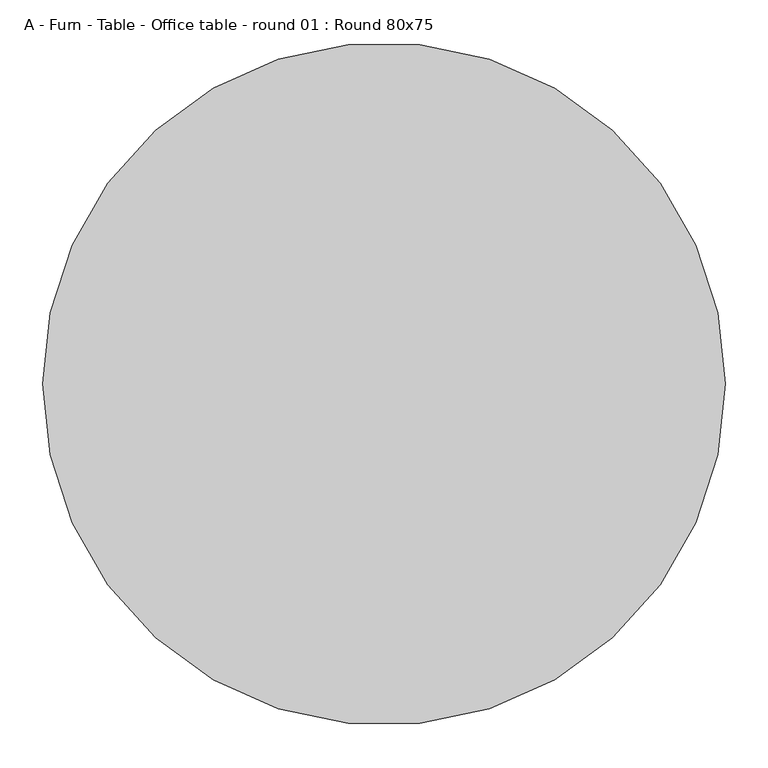
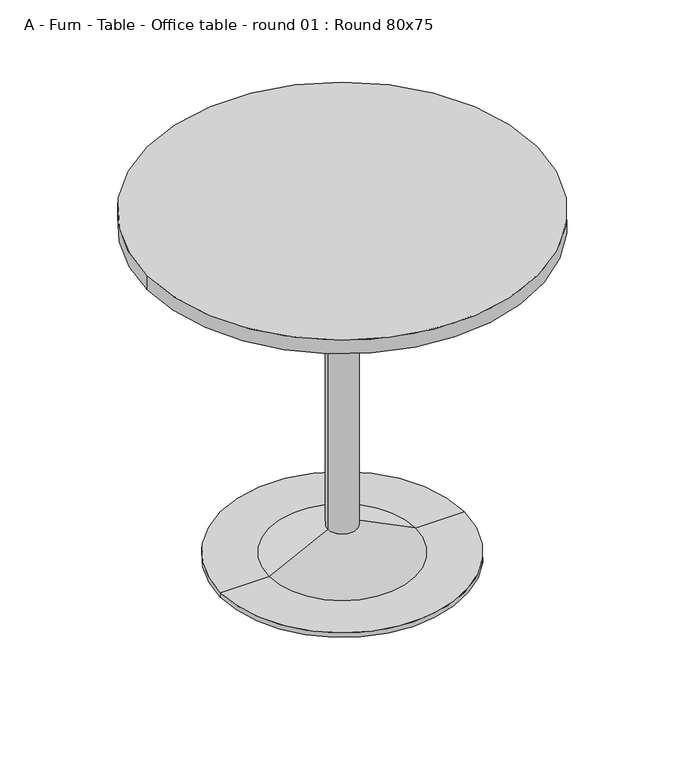
"""IFC4 building model written with IfcOpenShell, lengths in millimetres: furniture geometry, A - Furn - Table - Office table - round 01 : Round 80x75."""

from ifc_helpers import new_model, si_unit, point, frame, origin, origin_with_axes, origin_2d, place, context, project, spatial, polyline, circle_curve, trimmed, segment, composite_curve, outline, extrude, source, transform, mapped, element, save
from ifc_brep_helpers import plane_surface, cylinder_surface, revolved_surface, advanced_brep


def a_furn_table_office_table_round_01_round_80x75_4742326b(model_context):
    return source(origin(), model_context, "Body", "SolidModel", [
        advanced_brep(
        [(0.0, 0.0, 680.0), (30.0, 0.0, 680.0), (-30.0, 0.0, 680.0), (-150.0, 0.0, 10.0), (150.0, 0.0, 10.0), (0.0, 0.0, 10.0), (-30.0, 0.0, 70.0), (30.0, 0.0, 70.0)],
        [
            (0, 1),
            (1, 2, circle_curve(frame((0.0, 0.0, 680.0), z_axis=(0.0, 0.0, 1.0), x_axis=(1.0, 0.0, 0.0)), 30.0)),
            (2, 0),
            (2, 1, circle_curve(frame((0.0, 0.0, 680.0), z_axis=(0.0, 0.0, 1.0), x_axis=(1.0, 0.0, 0.0)), 30.0)),
            (3, 4, circle_curve(frame((0.0, 0.0, 10.0), z_axis=(0.0, 0.0, -1.0), x_axis=(1.0, 0.0, 0.0)), 150.0)),
            (4, 5),
            (5, 3),
            (4, 3, circle_curve(frame((0.0, 0.0, 10.0), z_axis=(0.0, 0.0, -1.0), x_axis=(1.0, 0.0, 0.0)), 150.0)),
            (6, 7, circle_curve(frame((0.0, 0.0, 70.0), z_axis=(0.0, 0.0, -1.0), x_axis=(1.0, 0.0, 0.0)), 30.0)),
            (7, 4),
            (3, 6),
            (7, 6, circle_curve(frame((0.0, 0.0, 70.0), z_axis=(0.0, 0.0, -1.0), x_axis=(1.0, 0.0, 0.0)), 30.0)),
            (1, 7),
            (6, 2),
        ],
        [
            plane_surface(frame((0.0, 0.0, 680.0), z_axis=(0.0, 0.0, 1.0), x_axis=(1.0, 0.0, 0.0))),
            plane_surface(frame((0.0, 0.0, 10.0), z_axis=(0.0, 0.0, -1.0), x_axis=(1.0, 0.0, 0.0))),
            revolved_surface(polyline([(150.0, 0.0, 10.0), (30.0, 0.0, 70.0)]), (0.0, 0.0, 892.0176105), (0.0, 0.0, 1.0)),
            cylinder_surface(frame((0.0, 0.0, 892.0176105), z_axis=(0.0, 0.0, 1.0), x_axis=(1.0, 0.0, 0.0)), 30.0),
        ],
        [
            (0, [[1, 2, 3]]),
            (0, [[-3, 4, -1]]),
            (1, [[5, 6, 7]]),
            (1, [[8, -7, -6]]),
            (2, [[9, 10, -5, 11]]),
            (2, [[12, -11, -8, -10]]),
            (3, [[-2, 13, -9, 14]]),
            (3, [[-4, -14, -12, -13]]),
        ],
    ),
        advanced_brep(
        [(-250.0, 0.0, 10.0), (250.0, 0.0, 10.0), (250.0, 0.0, 0.0), (-250.0, 0.0, 0.0), (0.0, 0.0, 10.0), (0.0, 0.0, 0.0)],
        [
            (0, 1, circle_curve(frame((0.0, 0.0, 10.0), z_axis=(0.0, 0.0, -1.0), x_axis=(1.0, 0.0, 0.0)), 250.0)),
            (1, 2),
            (2, 3, circle_curve(origin_with_axes(), 250.0)),
            (3, 0),
            (1, 0, circle_curve(frame((0.0, 0.0, 10.0), z_axis=(0.0, 0.0, -1.0), x_axis=(1.0, 0.0, 0.0)), 250.0)),
            (3, 2, circle_curve(origin_with_axes(), 250.0)),
            (4, 1),
            (0, 4),
            (2, 5),
            (5, 3),
        ],
        [
            cylinder_surface(frame((0.0, 0.0, 438.742223), z_axis=(0.0, 0.0, 1.0), x_axis=(1.0, 0.0, 0.0)), 250.0),
            plane_surface(frame((0.0, 0.0, 10.0), z_axis=(0.0, 0.0, 1.0), x_axis=(1.0, 0.0, 0.0))),
            plane_surface(frame((0.0, 0.0, 0.0), z_axis=(0.0, 0.0, -1.0), x_axis=(1.0, 0.0, 0.0))),
        ],
        [
            (0, [[1, 2, 3, 4]]),
            (0, [[5, -4, 6, -2]]),
            (1, [[7, -1, 8]]),
            (1, [[-8, -5, -7]]),
            (2, [[-3, 9, 10]]),
            (2, [[-6, -10, -9]]),
        ],
    ),
        advanced_brep(
        [(0.0, 0.0, 720.0), (150.0, 0.0, 720.0), (-150.0, 0.0, 720.0), (-110.0, 0.0, 680.0), (110.0, 0.0, 680.0), (0.0, 0.0, 680.0)],
        [
            (0, 1),
            (1, 2, circle_curve(frame((0.0, 0.0, 720.0), z_axis=(0.0, 0.0, 1.0), x_axis=(1.0, 0.0, 0.0)), 150.0)),
            (2, 0),
            (2, 1, circle_curve(frame((0.0, 0.0, 720.0), z_axis=(0.0, 0.0, 1.0), x_axis=(1.0, 0.0, 0.0)), 150.0)),
            (3, 4, circle_curve(frame((0.0, 0.0, 680.0), z_axis=(0.0, 0.0, -1.0), x_axis=(1.0, 0.0, 0.0)), 110.0)),
            (4, 5),
            (5, 3),
            (4, 3, circle_curve(frame((0.0, 0.0, 680.0), z_axis=(0.0, 0.0, -1.0), x_axis=(1.0, 0.0, 0.0)), 110.0)),
            (1, 4),
            (3, 2),
        ],
        [
            plane_surface(frame((0.0, 0.0, 720.0), z_axis=(0.0, 0.0, 1.0), x_axis=(1.0, 0.0, 0.0))),
            plane_surface(frame((0.0, 0.0, 680.0), z_axis=(0.0, 0.0, -1.0), x_axis=(1.0, 0.0, 0.0))),
            revolved_surface(polyline([(110.0, 0.0, 680.0), (150.0, 0.0, 720.0)]), (0.0, 0.0, 544.5410036), (0.0, 0.0, 1.0)),
        ],
        [
            (0, [[1, 2, 3]]),
            (0, [[-3, 4, -1]]),
            (1, [[5, 6, 7]]),
            (1, [[8, -7, -6]]),
            (2, [[-2, 9, -5, 10]]),
            (2, [[-4, -10, -8, -9]]),
        ],
    ),
        extrude(outline(composite_curve([segment(trimmed(circle_curve(origin_2d(), 400.0), [point((-400.0, 0.0))], [point((400.0, 0.0))], False, "CARTESIAN"), True, "CONTINUOUS"), segment(trimmed(circle_curve(origin_2d(), 400.0), [point((400.0, 0.0))], [point((-400.0, 0.0))], False, "CARTESIAN"), True, "CONTINUOUS")], self_intersect=False)), frame((0.0, 0.0, 720.0), z_axis=(0.0, 0.0, 1.0), x_axis=(1.0, 0.0, 0.0)), (0.0, 0.0, 1.0), 30.0),
    ])


if __name__ == "__main__":
    model = new_model("IFC4")
    model_context = context("Model", 3, world=origin())
    ifc_project = project(units=[si_unit("LENGTHUNIT", "METRE", prefix="MILLI")], contexts=[model_context])
    site = spatial("IfcSite", under=ifc_project)
    building = spatial("IfcBuilding", under=site)
    placement = place(None, origin())
    a_furn_table_office_table_round_01_round_80x75_shape = a_furn_table_office_table_round_01_round_80x75_4742326b(model_context)
    element("IfcFurniture", 1, ObjectType="A - Furn - Table - Office table - round 01 : Round 80x75", at=placement, inside=building, context=model_context, shape_type="MappedRepresentation", body=[
        mapped(a_furn_table_office_table_round_01_round_80x75_shape, transform((0.0, 0.0, 0.0), x_axis=(1.0, 0.0, 0.0), y_axis=(0.0, 1.0, 0.0), z_axis=(0.0, 0.0, 1.0))),
    ])
    save(model, "model.ifc")
